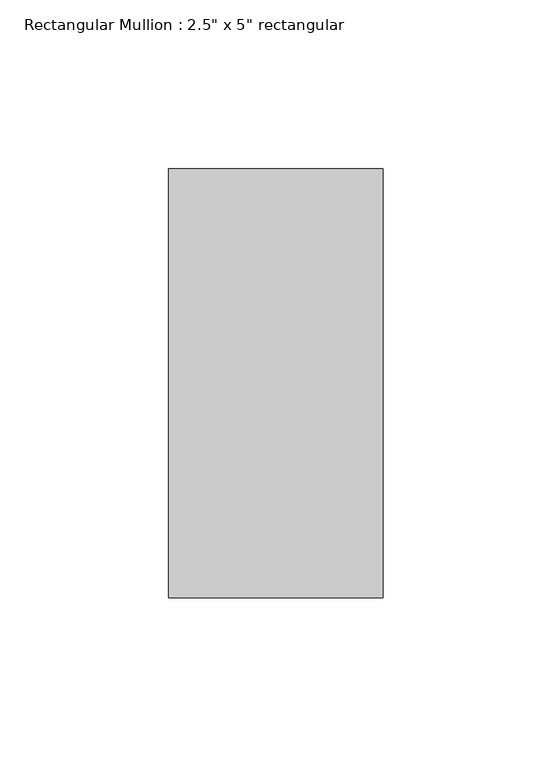
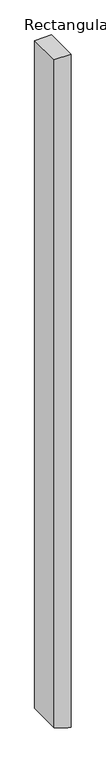
"""IFC4 building model written with IfcOpenShell, lengths in millimetres: member geometry."""

import ifcopenshell
import ifcopenshell.guid

model = None  # the IFC model being written
_history = None  # IfcOwnerHistory: only IFC2X3 demands one
_inside = {}  # id of a spatial element -> (the spatial element, [elements in it])
_under = {}  # id of a project, library or spatial element -> (it, [spatial elements below it])
_declared = {}  # id of a project -> (the project, [libraries it declares])
_typed = {}  # id of a type object -> (the type object, [elements of that type])
_made_of = {}  # id of a material, layer set ... -> (it, [elements and type objects made of it])


def new_model(schema):
    """Start an empty IFC model of exactly this schema.

    Asked for "IFC4X3", IfcOpenShell would pick the latest addendum, in which some entities
    have other attributes; the version numbers below select the first issue.
    IFC2X3 requires an IfcOwnerHistory on every rooted entity: one is made here for all.
    """
    global model, _history
    if schema == "IFC4X3":
        model = ifcopenshell.file(schema_version=(4, 3, 0, 0))
    else:
        model = ifcopenshell.file(schema=schema)
    _inside.clear()
    _under.clear()
    _declared.clear()
    _typed.clear()
    _made_of.clear()
    _history = None
    if model.schema == "IFC2X3":
        org = make("IfcOrganization", Name="unknown")
        user = make(
            "IfcPersonAndOrganization",
            ThePerson=make("IfcPerson", FamilyName="unknown"),
            TheOrganization=org,
        )
        app = make(
            "IfcApplication",
            ApplicationDeveloper=org,
            Version="unknown",
            ApplicationFullName="unknown",
            ApplicationIdentifier="unknown",
        )
        _history = make(
            "IfcOwnerHistory",
            OwningUser=user,
            OwningApplication=app,
            ChangeAction="ADDED",
            CreationDate=0,
        )
    return model


def make(cls, **values):
    """One entity of the class cls with the attributes given. An attribute that is None is left unset."""
    return model.create_entity(
        cls, **{name: value for name, value in values.items() if value is not None}
    )


def rooted(cls, **values):
    """An entity with a GlobalId (a new one), such as an element, a storey or a relation."""
    return make(cls, GlobalId=ifcopenshell.guid.new(), OwnerHistory=_history, **values)


def si_unit(unit_type, name, prefix=None):
    """IfcSIUnit, for example si_unit("LENGTHUNIT", "METRE", prefix="MILLI")."""
    return make("IfcSIUnit", UnitType=unit_type, Prefix=prefix, Name=name)


def assignment(units):
    """IfcUnitAssignment: the units of a project."""
    return None if units is None else make("IfcUnitAssignment", Units=units)


def point(xyz):
    """IfcCartesianPoint."""
    return None if xyz is None else make("IfcCartesianPoint", Coordinates=xyz)


def direction(xyz):
    """IfcDirection."""
    return None if xyz is None else make("IfcDirection", DirectionRatios=xyz)


def frame(location, z_axis=None, x_axis=None):
    """IfcAxis2Placement3D, a coordinate frame: its origin and axes. An axis left out is left unset."""
    return make(
        "IfcAxis2Placement3D",
        Location=point(location),
        Axis=direction(z_axis),
        RefDirection=direction(x_axis),
    )


def origin():
    """The frame at (0, 0, 0) with its axes left unset."""
    return frame((0.0, 0.0, 0.0))


def place(relative_to, where):
    """IfcLocalPlacement: puts the frame where relative to a parent placement (None: the world)."""
    return make(
        "IfcLocalPlacement", PlacementRelTo=relative_to, RelativePlacement=where
    )


def context(
    kind, dimensions, precision=None, world=None, true_north=None, identifier=None
):
    """IfcGeometricRepresentationContext, for example the 3D "Model" context."""
    return make(
        "IfcGeometricRepresentationContext",
        ContextIdentifier=identifier,
        ContextType=kind,
        CoordinateSpaceDimension=dimensions,
        Precision=precision,
        WorldCoordinateSystem=world,
        TrueNorth=true_north,
    )


def project(units=None, contexts=None):
    """IfcProject with its units and contexts."""
    return rooted(
        "IfcProject",
        Name="project",
        RepresentationContexts=contexts,
        UnitsInContext=assignment(units),
    )


def spatial(cls, under=None, at=None, **own):
    """A site, building, storey or space (cls), placed at a placement, below another one or the project."""
    s = rooted(cls, ObjectPlacement=at, **own)
    if under is not None:
        _under.setdefault(under.id(), (under, []))[1].append(s)
    return s


def polyline(points):
    """IfcPolyline through the points."""
    return make("IfcPolyline", Points=[point(p) for p in points])


def outline(outer, holes=None, kind="AREA"):
    """IfcArbitraryClosedProfileDef: a profile drawn as a closed curve; with holes, ...WithVoids."""
    if holes is None:
        return make("IfcArbitraryClosedProfileDef", ProfileType=kind, OuterCurve=outer)
    return make(
        "IfcArbitraryProfileDefWithVoids",
        ProfileType=kind,
        OuterCurve=outer,
        InnerCurves=holes,
    )


def extrude(swept, where, along, depth):
    """IfcExtrudedAreaSolid: the profile swept, set in the frame where, extruded along a direction by depth."""
    return make(
        "IfcExtrudedAreaSolid",
        SweptArea=swept,
        Position=where,
        ExtrudedDirection=direction(along),
        Depth=depth,
    )


def shape(context_of_items, identifier, shape_type, items):
    """IfcShapeRepresentation: the items that make up one representation, for example the "Body"."""
    return make(
        "IfcShapeRepresentation",
        ContextOfItems=context_of_items,
        RepresentationIdentifier=identifier,
        RepresentationType=shape_type,
        Items=items,
    )


def source(mapping_origin, context_of_items, identifier, shape_type, items):
    """IfcRepresentationMap: a shape defined once, which mapped items show again and again."""
    return make(
        "IfcRepresentationMap",
        MappingOrigin=mapping_origin,
        MappedRepresentation=shape(context_of_items, identifier, shape_type, items),
    )


def transform(
    local_origin,
    x_axis=None,
    y_axis=None,
    z_axis=None,
    scale=None,
    scale2=None,
    scale3=None,
    uniform=True,
):
    """IfcCartesianTransformationOperator3D, or its non-uniform kind. x_axis, y_axis, z_axis: its Axis1, 2, 3."""
    if uniform:
        return make(
            "IfcCartesianTransformationOperator3D",
            Axis1=direction(x_axis),
            Axis2=direction(y_axis),
            LocalOrigin=point(local_origin),
            Scale=scale,
            Axis3=direction(z_axis),
        )
    return make(
        "IfcCartesianTransformationOperator3DnonUniform",
        Axis1=direction(x_axis),
        Axis2=direction(y_axis),
        LocalOrigin=point(local_origin),
        Scale=scale,
        Axis3=direction(z_axis),
        Scale2=scale2,
        Scale3=scale3,
    )


def mapped(mapping_source, mapping_target):
    """IfcMappedItem: shows the shape of a source again, moved by a transform."""
    return make(
        "IfcMappedItem", MappingSource=mapping_source, MappingTarget=mapping_target
    )


def made_of(thing, what):
    """Note that an element or type object is made of a material, layer set ...; save() writes the relation."""
    if what is not None:
        _made_of.setdefault(what.id(), (what, []))[1].append(thing)
    return thing


def element(
    cls,
    number,
    at=None,
    inside=None,
    cuts=None,
    type_object=None,
    material=None,
    context=None,
    identifier="Body",
    shape_type=None,
    held_by="IfcProductDefinitionShape",
    body=None,
    shapes=None,
    **own,
):
    """One element of the class cls, such as IfcWall. Its Tag is "e" and its number.

    at: its placement. inside: the storey or other place that contains it. cuts: it is an
    opening in that element (IfcRelVoidsElement). A single representation is given by context,
    identifier, shape_type and body (its items); several are given by shapes. held_by: the class
    of the entity that holds the representations. save() writes the other relations.
    """
    e = rooted(cls, Tag="e%d" % number, ObjectPlacement=at, **own)
    if body is not None:
        shapes = [shape(context, identifier, shape_type, body)]
    if shapes is not None:
        e.Representation = make(held_by, Representations=shapes)
    if inside is not None:
        _inside.setdefault(inside.id(), (inside, []))[1].append(e)
    if cuts is not None:
        rooted(
            "IfcRelVoidsElement", RelatingBuildingElement=cuts, RelatedOpeningElement=e
        )
    if type_object is not None:
        _typed.setdefault(type_object.id(), (type_object, []))[1].append(e)
    return made_of(e, material)


def aggregate(whole, parts):
    """IfcRelAggregates: a whole, such as a stair, and the parts it consists of."""
    return rooted("IfcRelAggregates", RelatingObject=whole, RelatedObjects=parts)


def save(model, path):
    """Write the relations noted so far, then the file.

    IfcRelAggregates (storeys below a building ...), IfcRelContainedInSpatialStructure (elements
    in a storey), IfcRelDefinesByType, IfcRelAssociatesMaterial and IfcRelDeclares: one each for
    every whole, place, type object, material and project.
    """
    for whole, parts in _under.values():
        aggregate(whole, parts)
    for where, things in _inside.values():
        rooted(
            "IfcRelContainedInSpatialStructure",
            RelatedElements=things,
            RelatingStructure=where,
        )
    for kind, things in _typed.values():
        rooted("IfcRelDefinesByType", RelatedObjects=things, RelatingType=kind)
    for what, things in _made_of.values():
        rooted("IfcRelAssociatesMaterial", RelatedObjects=things, RelatingMaterial=what)
    for by, libraries in _declared.values():
        rooted("IfcRelDeclares", RelatingContext=by, RelatedDefinitions=libraries)
    model.write(path)


def member_a47fe8fd(model_context):
    return source(origin(), model_context, "Body", "SweptSolid", [
        extrude(outline(polyline([(0.0, 31.75), (0.0, -31.75), (-2653.4633053, -31.75), (-2670.3586742, 19.7828002), (-2674.2821997, 31.75), (0.0, 31.75)])), frame((0.0, -63.5, 0.0), z_axis=(0.0, 1.0, 0.0), x_axis=(0.0, 0.0, 1.0)), (0.0, 0.0, 1.0), 127.0),
    ])


if __name__ == "__main__":
    model = new_model("IFC4")
    model_context = context("Model", 3, world=origin())
    ifc_project = project(units=[si_unit("LENGTHUNIT", "METRE", prefix="MILLI")], contexts=[model_context])
    site = spatial("IfcSite", under=ifc_project)
    building = spatial("IfcBuilding", under=site)
    placement = place(None, origin())
    member_shape = member_a47fe8fd(model_context)
    element("IfcMember", 1, ObjectType="Rectangular Mullion : 2.5\" x 5\" rectangular", at=placement, inside=building, context=model_context, shape_type="MappedRepresentation", body=[
        mapped(member_shape, transform((0.0, 0.0, 0.0), x_axis=(1.0, 0.0, 0.0), y_axis=(0.0, 1.0, 0.0), z_axis=(0.0, 0.0, 1.0))),
    ])
    save(model, "model.ifc")
